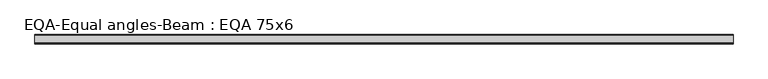
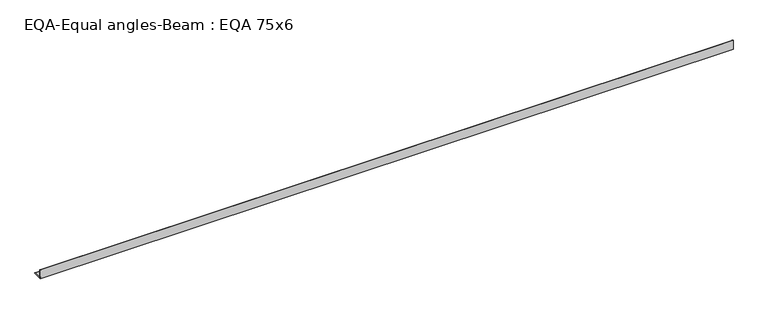
"""IFC4 building model written with IfcOpenShell, lengths in millimetres: beam geometry, EQA-Equal angles-Beam : EQA 75x6."""

from ifc_helpers import new_model, si_unit, point, frame, frame_2d, origin, place, context, project, spatial, polyline, circle_curve, trimmed, segment, composite_curve, outline, extrude, source, transform, mapped, element, save


def eqa_equal_angles_beam_eqa_75x6_61cc50f4(model_context):
    return source(origin(), model_context, "Body", "SweptSolid", [
        extrude(outline(composite_curve([segment(polyline([(-20.5, -20.5), (-20.5, 54.5), (-19.0, 54.5)]), True, "CONTINUOUS"), segment(trimmed(circle_curve(frame_2d((-19.0, 50.0)), 4.5), [point((-19.0, 54.5))], [point((-14.5, 50.0))], False, "CARTESIAN"), True, "CONTINUOUS"), segment(polyline([(-14.5, 50.0), (-14.5, -5.5)]), True, "CONTINUOUS"), segment(trimmed(circle_curve(frame_2d((-5.5, -5.5)), 9.0), [point((-14.5, -5.5))], [point((-5.5, -14.5))], True, "CARTESIAN"), True, "CONTINUOUS"), segment(polyline([(-5.5, -14.5), (50.0, -14.5)]), True, "CONTINUOUS"), segment(trimmed(circle_curve(frame_2d((50.0, -19.0)), 4.5), [point((50.0, -14.5))], [point((54.5, -19.0))], False, "CARTESIAN"), True, "CONTINUOUS"), segment(polyline([(54.5, -19.0), (54.5, -20.5), (-20.5, -20.5)]), True, "CONTINUOUS")], self_intersect=False)), frame((-2715.9657686, 0.0, 0.0), z_axis=(1.0, 0.0, 0.0), x_axis=(0.0, 1.0, 0.0)), (0.0, 0.0, 1.0), 5467.6796451),
    ])


if __name__ == "__main__":
    model = new_model("IFC4")
    model_context = context("Model", 3, world=origin())
    ifc_project = project(units=[si_unit("LENGTHUNIT", "METRE", prefix="MILLI")], contexts=[model_context])
    site = spatial("IfcSite", under=ifc_project)
    building = spatial("IfcBuilding", under=site)
    placement = place(None, origin())
    eqa_equal_angles_beam_eqa_75x6_shape = eqa_equal_angles_beam_eqa_75x6_61cc50f4(model_context)
    element("IfcBeam", 1, ObjectType="EQA-Equal angles-Beam : EQA 75x6", at=placement, inside=building, context=model_context, shape_type="MappedRepresentation", body=[
        mapped(eqa_equal_angles_beam_eqa_75x6_shape, transform((0.0, 0.0, 0.0), x_axis=(1.0, 0.0, 0.0), y_axis=(0.0, 1.0, 0.0), z_axis=(0.0, 0.0, 1.0))),
    ])
    save(model, "model.ifc")
